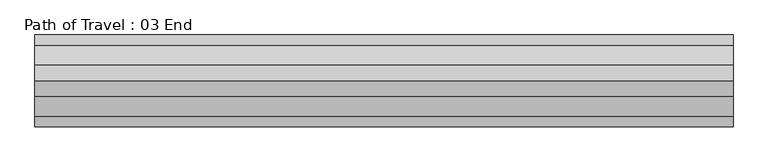
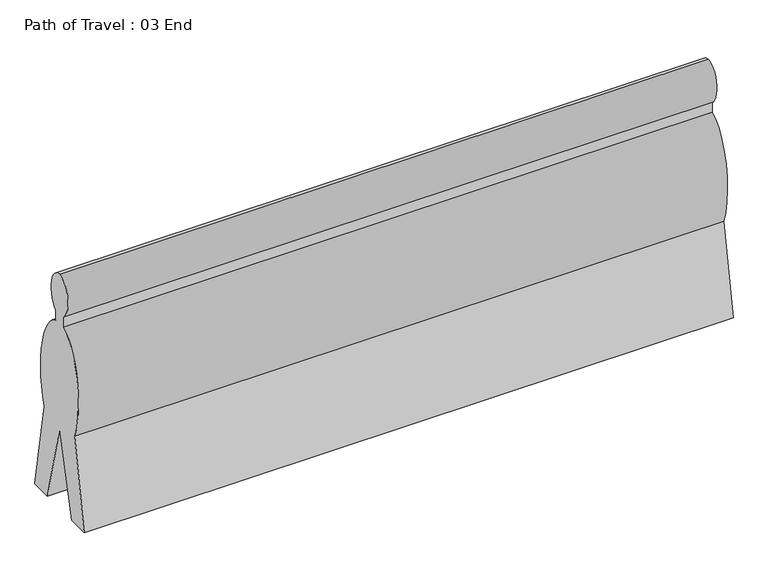
"""IFC4 building model written with IfcOpenShell, lengths in millimetres: proxy geometry, Path of Travel : 03 End."""

from ifc_helpers import new_model, si_unit, point, frame, origin, place, context, project, spatial, ellipse_curve, trimmed, source, transform, mapped, element, save
from ifc_brep_helpers import plane_surface, extruded_surface, advanced_brep


def path_of_travel_03_end_c9fa5857(model_context):
    return source(origin(), model_context, "Body", "AdvancedBrep", [
        advanced_brep(
        [(0.0, 0.0, 1727.2), (0.0, 42.9018657, 1436.6534209), (0.0, 42.9018657, 1363.4763406), (0.0, 184.1186263, 643.4144547), (0.0, 297.5699544, 0.0), (0.0, 145.6574193, 0.0), (0.0, 0.0, 584.2), (0.0, -145.6574193, 0.0), (0.0, -297.5699544, 0.0), (0.0, -184.1186263, 643.4144547), (0.0, -42.9018657, 1363.4763406), (0.0, -42.9018657, 1436.6534209), (4528.6310373, 0.0, 1727.2), (4528.6310373, -42.9018657, 1436.6534209), (4528.6310373, -42.9018657, 1363.4763406), (4528.6310373, -184.1186263, 643.4144547), (4528.6310373, -297.5699544, 0.0), (4528.6310373, -145.6574193, 0.0), (4528.6310373, 0.0, 584.2), (4528.6310373, 145.6574193, 0.0), (4528.6310373, 297.5699544, 0.0), (4528.6310373, 184.1186263, 643.4144547), (4528.6310373, 42.9018657, 1363.4763406), (4528.6310373, 42.9018657, 1436.6534209)],
        [
            (0, 1, ellipse_curve(frame((0.0, 0.0, 1574.8), z_axis=(-1.0, 0.0, 0.0), x_axis=(0.0, 0.0, 1.0)), 152.4, 101.6)),
            (1, 2),
            (2, 3, ellipse_curve(frame((0.0, 0.0, 914.4), z_axis=(-1.0, 0.0, 0.0), x_axis=(0.0, 0.0, -1.0)), 457.2, 228.6)),
            (3, 4),
            (4, 5),
            (5, 6),
            (6, 7),
            (7, 8),
            (8, 9),
            (9, 10, ellipse_curve(frame((0.0, 0.0, 914.4), z_axis=(-1.0, 0.0, 0.0), x_axis=(0.0, 0.0, -1.0)), 457.2, 228.6)),
            (10, 11),
            (11, 0, ellipse_curve(frame((0.0, 0.0, 1574.8), z_axis=(-1.0, 0.0, 0.0), x_axis=(0.0, 0.0, 1.0)), 152.4, 101.6)),
            (12, 13, ellipse_curve(frame((4528.6310373, 0.0, 1574.8), z_axis=(1.0, 0.0, 0.0), x_axis=(0.0, 0.0, 1.0)), 152.4, 101.6)),
            (13, 14),
            (14, 15, ellipse_curve(frame((4528.6310373, 0.0, 914.4), z_axis=(1.0, 0.0, 0.0), x_axis=(0.0, 0.0, -1.0)), 457.2, 228.6)),
            (15, 16),
            (16, 17),
            (17, 18),
            (18, 19),
            (19, 20),
            (20, 21),
            (21, 22, ellipse_curve(frame((4528.6310373, 0.0, 914.4), z_axis=(1.0, 0.0, 0.0), x_axis=(0.0, 0.0, -1.0)), 457.2, 228.6)),
            (22, 23),
            (23, 12, ellipse_curve(frame((4528.6310373, 0.0, 1574.8), z_axis=(1.0, 0.0, 0.0), x_axis=(0.0, 0.0, 1.0)), 152.4, 101.6)),
            (0, 12),
            (23, 1),
            (22, 2),
            (21, 3),
            (20, 4),
            (19, 5),
            (18, 6),
            (17, 7),
            (16, 8),
            (15, 9),
            (14, 10),
            (13, 11),
        ],
        [
            plane_surface(frame((0.0, 0.0, 0.0), z_axis=(-1.0, 0.0, 0.0), x_axis=(0.0, 0.0, 1.0))),
            plane_surface(frame((4528.6310373, 0.0, 0.0), z_axis=(1.0, 0.0, 0.0), x_axis=(0.0, 0.0, 1.0))),
            extruded_surface(trimmed(ellipse_curve(frame((4528.6310373, 0.0, 1574.8), z_axis=(-1.0, 0.0, 0.0), x_axis=(0.0, 0.0, 1.0)), 152.4, 101.6), [point((4528.6310373, 0.0, 1727.2))], [point((4528.6310373, 42.9018657, 1436.6534209))], True, "CARTESIAN"), (-4528.6310373, 0.0, 0.0), 4528.6310373),
            plane_surface(frame((0.0, 42.9018657, 1436.6534209), z_axis=(0.0, 1.0, 0.0), x_axis=(1.0, 0.0, 0.0))),
            extruded_surface(trimmed(ellipse_curve(frame((4528.6310373, 0.0, 914.4), z_axis=(-1.0, 0.0, 0.0), x_axis=(0.0, 0.0, -1.0)), 457.2, 228.6), [point((4528.6310373, 42.9018657, 1363.4763406))], [point((4528.6310373, 184.1186263, 643.4144547))], True, "CARTESIAN"), (-4528.6310373, 0.0, 0.0), 4528.6310373),
            plane_surface(frame((0.0, 184.1186263, 643.4144547), z_axis=(0.0, 0.9848077530122078, 0.17364817766693205), x_axis=(1.0, 0.0, 0.0))),
            plane_surface(frame((0.0, 297.5699544, 0.0), z_axis=(0.0, 0.0, -1.0), x_axis=(1.0, 0.0, 0.0))),
            plane_surface(frame((0.0, 145.6574193, 0.0), z_axis=(0.0, -0.9702957262760199, -0.2419218955995739), x_axis=(1.0, 0.0, 0.0))),
            plane_surface(frame((0.0, 0.0, 584.2), z_axis=(0.0, 0.9702957262759961, -0.24192189559966915), x_axis=(1.0, 0.0, 0.0))),
            plane_surface(frame((0.0, -145.6574193, 0.0), z_axis=(0.0, 0.0, -1.0), x_axis=(1.0, 0.0, 0.0))),
            plane_surface(frame((0.0, -297.5699544, 0.0), z_axis=(0.0, -0.984807753012208, 0.17364817766693066), x_axis=(1.0, 0.0, 0.0))),
            extruded_surface(trimmed(ellipse_curve(frame((4528.6310373, 0.0, 914.4), z_axis=(-1.0, 0.0, 0.0), x_axis=(0.0, 0.0, -1.0)), 457.2, 228.6), [point((4528.6310373, -184.1186263, 643.4144547))], [point((4528.6310373, -42.9018657, 1363.4763406))], True, "CARTESIAN"), (-4528.6310373, 0.0, 0.0), 4528.6310373),
            plane_surface(frame((0.0, -42.9018657, 1363.4763406), z_axis=(0.0, -1.0, 0.0), x_axis=(1.0, 0.0, 0.0))),
            extruded_surface(trimmed(ellipse_curve(frame((4528.6310373, 0.0, 1574.8), z_axis=(-1.0, 0.0, 0.0), x_axis=(0.0, 0.0, 1.0)), 152.4, 101.6), [point((4528.6310373, -42.9018657, 1436.6534209))], [point((4528.6310373, 0.0, 1727.2))], True, "CARTESIAN"), (-4528.6310373, 0.0, 0.0), 4528.6310373),
        ],
        [
            (0, [[1, 2, 3, 4, 5, 6, 7, 8, 9, 10, 11, 12]]),
            (1, [[13, 14, 15, 16, 17, 18, 19, 20, 21, 22, 23, 24]]),
            (2, [[-1, 25, -24, 26]]),
            (3, [[-2, -26, -23, 27]]),
            (4, [[-3, -27, -22, 28]]),
            (5, [[-4, -28, -21, 29]]),
            (6, [[-5, -29, -20, 30]]),
            (7, [[-6, -30, -19, 31]]),
            (8, [[-7, -31, -18, 32]]),
            (9, [[-8, -32, -17, 33]]),
            (10, [[-9, -33, -16, 34]]),
            (11, [[-10, -34, -15, 35]]),
            (12, [[-11, -35, -14, 36]]),
            (13, [[-12, -36, -13, -25]]),
        ],
    ),
    ])


if __name__ == "__main__":
    model = new_model("IFC4")
    model_context = context("Model", 3, world=origin())
    ifc_project = project(units=[si_unit("LENGTHUNIT", "METRE", prefix="MILLI")], contexts=[model_context])
    site = spatial("IfcSite", under=ifc_project)
    building = spatial("IfcBuilding", under=site)
    placement = place(None, origin())
    path_of_travel_03_end_shape = path_of_travel_03_end_c9fa5857(model_context)
    element("IfcBuildingElementProxy", 1, Name="Path of Travel : 03 End", ObjectType="Path of Travel : 03 End", at=placement, inside=building, context=model_context, shape_type="MappedRepresentation", body=[
        mapped(path_of_travel_03_end_shape, transform((0.0, 0.0, 0.0), x_axis=(1.0, 0.0, 0.0), y_axis=(0.0, 1.0, 0.0), z_axis=(0.0, 0.0, 1.0))),
    ])
    save(model, "model.ifc")
